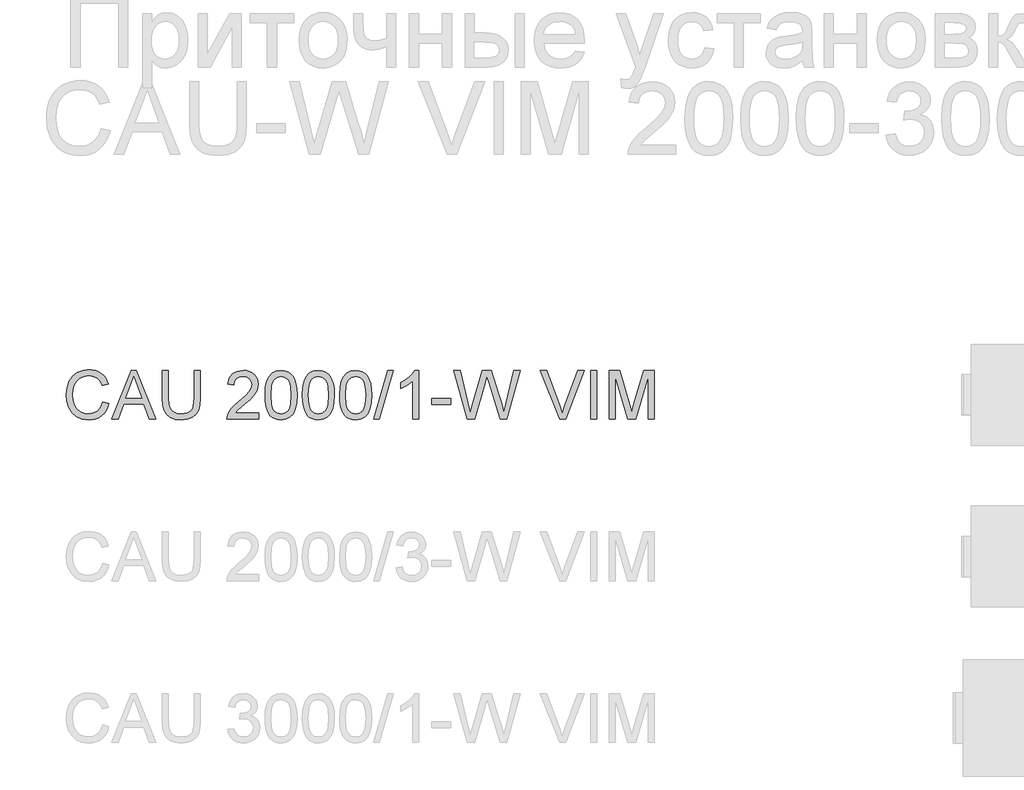
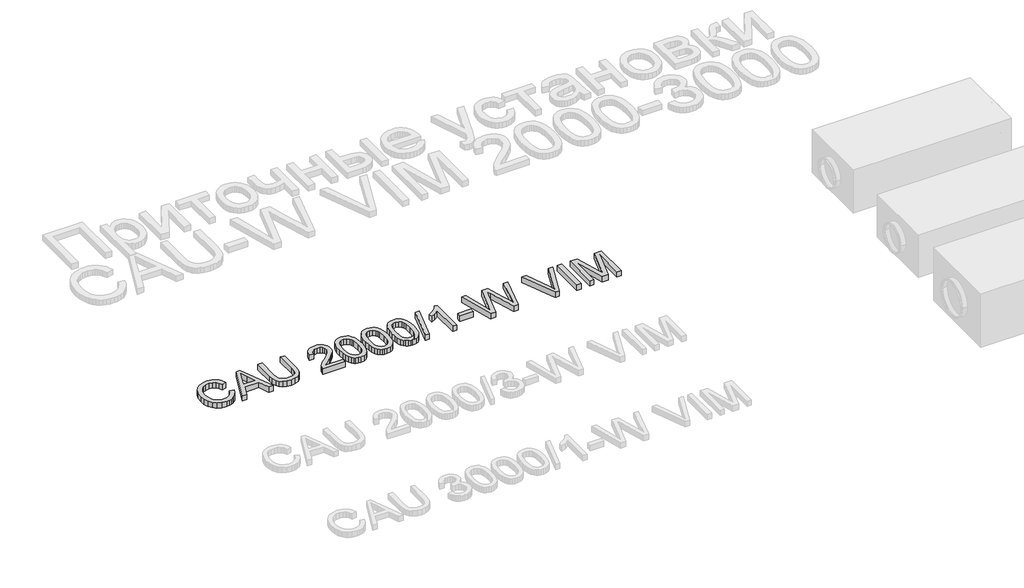
# One storey, part 73 of 74: 1 proxy.
"""IFC4 building model written with IfcOpenShell, lengths in millimetres."""

from ifc_helpers import new_model, si_unit, origin, origin_with_axes, place, context, project, spatial, polyline, outline, extrude, element, save

model = new_model("IFC4")

# Units and contexts
model_context = context("Model", 3, world=origin())
ifc_project = project(units=[si_unit("LENGTHUNIT", "METRE", prefix="MILLI")], contexts=[model_context])

# Site, building, storey
site = spatial("IfcSite", under=ifc_project)
building = spatial("IfcBuilding", under=site)
storey = spatial("IfcBuildingStorey", under=building, Elevation=0.0)

# Proxy
placement = place(None, origin())
element("IfcBuildingElementProxy", 1, Name="Generic Models", at=placement, inside=storey, context=model_context, shape_type="SweptSolid", body=[
    extrude(outline(polyline([(56009.3406669, -3799.1632103), (56047.0117832, -3808.875295), (56039.5575743, -3832.3024803), (56029.6293589, -3852.7728141), (56017.2271372, -3870.2862963), (56002.350909, -3884.842927), (55985.3363667, -3896.2863563), (55966.5192027, -3904.4602344), (55945.8994168, -3909.3645613), (55923.4770092, -3910.9993369), (55879.7818252, -3906.051324), (55845.0813561, -3891.2072855), (55818.4834878, -3866.9822562), (55799.0961067, -3833.8912707), (55787.2595035, -3794.9877497), (55783.3139691, -3753.3251137), (55787.7745383, -3709.3816094), (55801.1562458, -3671.4345816), (55822.760116, -3640.6888439), (55851.887173, -3618.3492097), (55886.4312923, -3604.7467729), (55924.2863496, -3600.2126274), (55965.5903006, -3606.0803452), (55983.5590368, -3613.4149925), (55999.7389468, -3623.6834986), (56013.8633162, -3636.6145508), (56025.6654304, -3651.9368359), (56042.3028937, -3689.755105), (56004.6317774, -3698.7314257), (55991.5719665, -3671.2598377), (55973.7296898, -3652.4150825), (55950.8842179, -3641.5165784), (55922.8148216, -3637.8837437), (55890.4596002, -3641.9120515), (55863.880126, -3653.996975), (55843.7109956, -3672.8693214), (55830.5868054, -3697.2598977), (55823.3855154, -3724.8326532), (55820.9850854, -3753.2515373), (55823.8269738, -3788.0531741), (55832.352639, -3818.1459213), (55846.8839778, -3842.3801477), (55867.742887, -3859.6062222), (55892.7496656, -3869.897721), (55919.7246129, -3873.3282206), (55951.1693264, -3868.6561192), (55977.3717215, -3854.6398152), (55997.1545758, -3831.4264613), (56009.3406669, -3799.1632103)])), origin_with_axes(), (0.0, 0.0, 1.0), 50.0),
    extrude(outline(polyline([(56063.7136258, -3906.2904473), (56184.0110382, -3604.9215169), (56216.0903482, -3604.9215169), (56336.3877606, -3906.2904473), (56296.5829287, -3906.2904473), (56262.0755976, -3812.1126566), (56137.9522124, -3812.1126566), (56103.5184577, -3906.2904473), (56063.7136258, -3906.2904473)]), holes=[polyline([(56151.7845754, -3774.4415403), (56248.316811, -3774.4415403), (56221.1671197, -3700.3501064), (56200.0506932, -3642.5926332), (56181.2887114, -3693.8753833), (56151.7845754, -3774.4415403)])]), origin_with_axes(), (0.0, 0.0, 1.0), 50.0),
    extrude(outline(polyline([(56574.4074115, -3604.9215169), (56612.0785278, -3604.9215169), (56612.0785278, -3778.7825478), (56609.5217479, -3819.4978876), (56601.8514083, -3850.8506307), (56587.5224046, -3875.0388719), (56564.9896324, -3894.2607061), (56534.1979094, -3906.8146792), (56495.0920533, -3910.9993369), (56456.8415229, -3907.3573051), (56426.261332, -3896.4312099), (56403.3422837, -3878.5981302), (56388.0751809, -3854.235145), (56379.4943334, -3821.5580268), (56376.6340509, -3778.7825478), (56376.6340509, -3604.9215169), (56414.3051672, -3604.9215169), (56414.3051672, -3777.4581726), (56416.1629713, -3811.3125132), (56421.7363835, -3834.8845521), (56431.8347443, -3851.2093156), (56447.267394, -3863.3218303), (56467.3905391, -3870.826623), (56491.5603862, -3873.3282206), (56529.875296, -3868.3802077), (56544.2180953, -3862.1951917), (56555.3511241, -3853.5361692), (56563.6882499, -3841.3592752), (56569.6433397, -3824.6206444), (56574.4074115, -3777.4581726), (56574.4074115, -3604.9215169)])), origin_with_axes(), (0.0, 0.0, 1.0), 50.0),
    extrude(outline(polyline([(56974.6630222, -3868.619331), (56974.6630222, -3906.2904473), (56776.8896616, -3906.2904473), (56780.9363636, -3880.3179785), (56790.225384, -3860.0200894), (56803.8186237, -3840.3292056), (56823.4819163, -3819.7186168), (56850.9810955, -3796.6616128), (56891.6320559, -3760.553995), (56916.0226322, -3733.9009444), (56928.2179203, -3712.2694831), (56932.2830164, -3691.226633), (56928.4478466, -3672.3634837), (56916.9423372, -3656.6825136), (56899.2564103, -3646.1151033), (56876.8799879, -3642.5926332), (56853.3815255, -3646.0323299), (56835.1253815, -3656.3514198), (56823.3439606, -3672.7405627), (56819.2696675, -3694.3904181), (56781.5985512, -3689.6815286), (56790.7312217, -3653.242817), (56799.2775803, -3638.7068796), (56810.4772878, -3626.6265546), (56824.0728268, -3617.1306006), (56839.8066799, -3610.3477763), (56877.6893283, -3604.9215169), (56897.8791521, -3606.4298331), (56915.8478883, -3610.9547816), (56931.5955369, -3618.4963625), (56945.122098, -3629.0545758), (56955.9861132, -3641.8476722), (56963.746124, -3656.0939024), (56968.4021305, -3671.7932666), (56969.9541327, -3688.9457646), (56968.2802696, -3706.9627853), (56963.2586804, -3724.6671063), (56954.3467391, -3742.67493), (56941.0018197, -3761.6024586), (56919.7290433, -3784.1996102), (56887.033531, -3813.2163026), (56843.697032, -3849.4526791), (56826.7008838, -3868.619331), (56974.6630222, -3868.619331)])), origin_with_axes(), (0.0, 0.0, 1.0), 50.0),
    extrude(outline(polyline([(57012.3341385, -3758.0340033), (57015.1024506, -3709.7954767), (57023.4073866, -3671.324217), (57037.1661732, -3642.0316132), (57056.296037, -3621.3290539), (57080.9349336, -3609.0234011), (57111.2208189, -3604.9215169), (57134.4341727, -3607.3495381), (57155.2195055, -3614.6336016), (57172.6019297, -3626.4885989), (57185.6065583, -3642.6294214), (57195.4290075, -3662.9181134), (57203.264894, -3687.2167192), (57208.3968479, -3718.0728216), (57210.1074992, -3758.0340033), (57207.3667783, -3805.9966184), (57199.1446157, -3844.3759076), (57185.4686025, -3873.6961026), (57166.3663299, -3894.4814353), (57141.672251, -3906.8698615), (57111.2208189, -3910.9993369), (57090.4722743, -3909.2059122), (57072.0781746, -3903.825638), (57056.0385196, -3894.8585143), (57042.3533094, -3882.3045413), (57029.2199221, -3859.6108207), (57019.8389312, -3831.3344908), (57014.2103367, -3797.4755517), (57012.3341385, -3758.0340033)]), holes=[polyline([(57050.0052549, -3757.9604269), (57054.4198388, -3817.2170193), (57059.9380687, -3837.4850179), (57067.6635906, -3851.5128183), (57087.3820656, -3867.87437), (57111.2208189, -3873.3282206), (57135.0595721, -3867.8559759), (57154.7780471, -3851.4392419), (57162.503569, -3837.3884489), (57168.0217989, -3817.1250488), (57172.4363828, -3757.9604269), (57168.1689517, -3700.0374067), (57162.8346628, -3679.8360867), (57155.3666583, -3665.4748933), (57135.6849715, -3648.3131982), (57110.7793605, -3642.5926332), (57087.1981246, -3647.6326165), (57068.2522018, -3662.7525665), (57060.2691625, -3678.3875513), (57054.5669916, -3699.4671897), (57050.0052549, -3757.9604269)])]), origin_with_axes(), (0.0, 0.0, 1.0), 50.0),
    extrude(outline(polyline([(57243.0697259, -3758.0340033), (57245.8380379, -3709.7954767), (57254.142974, -3671.324217), (57267.9017606, -3642.0316132), (57287.0316243, -3621.3290539), (57311.670521, -3609.0234011), (57341.9564062, -3604.9215169), (57365.1697601, -3607.3495381), (57385.9550928, -3614.6336016), (57403.3375171, -3626.4885989), (57416.3421456, -3642.6294214), (57426.1645949, -3662.9181134), (57434.0004814, -3687.2167192), (57439.1324353, -3718.0728216), (57440.8430865, -3758.0340033), (57438.1023657, -3805.9966184), (57429.8802031, -3844.3759076), (57416.2041899, -3873.6961026), (57397.1019173, -3894.4814353), (57372.4078384, -3906.8698615), (57341.9564062, -3910.9993369), (57321.2078617, -3909.2059122), (57302.8137619, -3903.825638), (57286.7741069, -3894.8585143), (57273.0888967, -3882.3045413), (57259.9555095, -3859.6108207), (57250.5745186, -3831.3344908), (57244.9459241, -3797.4755517), (57243.0697259, -3758.0340033)]), holes=[polyline([(57280.7408422, -3757.9604269), (57285.1554262, -3817.2170193), (57290.6736561, -3837.4850179), (57298.399178, -3851.5128183), (57318.1176529, -3867.87437), (57341.9564062, -3873.3282206), (57365.7951595, -3867.8559759), (57385.5136345, -3851.4392419), (57393.2391564, -3837.3884489), (57398.7573863, -3817.1250488), (57403.1719702, -3757.9604269), (57398.9045391, -3700.0374067), (57393.5702501, -3679.8360867), (57386.1022456, -3665.4748933), (57366.4205589, -3648.3131982), (57341.5149478, -3642.5926332), (57317.9337119, -3647.6326165), (57298.9877892, -3662.7525665), (57291.0047499, -3678.3875513), (57285.302579, -3699.4671897), (57280.7408422, -3757.9604269)])]), origin_with_axes(), (0.0, 0.0, 1.0), 50.0),
    extrude(outline(polyline([(57473.8053133, -3758.0340033), (57476.5736253, -3709.7954767), (57484.8785614, -3671.324217), (57498.637348, -3642.0316132), (57517.7672117, -3621.3290539), (57542.4061083, -3609.0234011), (57572.6919936, -3604.9215169), (57595.9053475, -3607.3495381), (57616.6906802, -3614.6336016), (57634.0731045, -3626.4885989), (57647.077733, -3642.6294214), (57656.9001823, -3662.9181134), (57664.7360688, -3687.2167192), (57669.8680226, -3718.0728216), (57671.5786739, -3758.0340033), (57668.837953, -3805.9966184), (57660.6157904, -3844.3759076), (57646.9397773, -3873.6961026), (57627.8375047, -3894.4814353), (57603.1434258, -3906.8698615), (57572.6919936, -3910.9993369), (57551.9434491, -3909.2059122), (57533.5493493, -3903.825638), (57517.5096943, -3894.8585143), (57503.8244841, -3882.3045413), (57490.6910969, -3859.6108207), (57481.310106, -3831.3344908), (57475.6815115, -3797.4755517), (57473.8053133, -3758.0340033)]), holes=[polyline([(57511.4764296, -3757.9604269), (57515.8910135, -3817.2170193), (57521.4092435, -3837.4850179), (57529.1347654, -3851.5128183), (57548.8532403, -3867.87437), (57572.6919936, -3873.3282206), (57596.5307469, -3867.8559759), (57616.2492218, -3851.4392419), (57623.9747437, -3837.3884489), (57629.4929737, -3817.1250488), (57633.9075576, -3757.9604269), (57629.6401265, -3700.0374067), (57624.3058375, -3679.8360867), (57616.837833, -3665.4748933), (57597.1561463, -3648.3131982), (57572.2505352, -3642.5926332), (57548.6692993, -3647.6326165), (57529.7233766, -3662.7525665), (57521.7403373, -3678.3875513), (57516.0381663, -3699.4671897), (57511.4764296, -3757.9604269)])]), origin_with_axes(), (0.0, 0.0, 1.0), 50.0),
    extrude(outline(polyline([(57685.7053425, -3906.2904473), (57770.4653542, -3604.9215169), (57804.4576506, -3604.9215169), (57719.6976389, -3906.2904473), (57685.7053425, -3906.2904473)])), origin_with_axes(), (0.0, 0.0, 1.0), 50.0),
    extrude(outline(polyline([(57963.5298253, -3906.2904473), (57925.858709, -3906.2904473), (57925.858709, -3671.4345816), (57890.1741554, -3696.8552275), (57850.5164764, -3715.8747266), (57850.5164764, -3680.2637495), (57880.1033858, -3664.1689122), (57905.7355638, -3645.0206544), (57925.9414824, -3624.6583859), (57939.2496136, -3604.9215169), (57963.5298253, -3604.9215169), (57963.5298253, -3906.2904473)])), origin_with_axes(), (0.0, 0.0, 1.0), 50.0),
    extrude(outline(polyline([(58043.5809474, -3816.8215461), (58043.5809474, -3779.1504298), (58161.3031859, -3779.1504298), (58161.3031859, -3816.8215461), (58043.5809474, -3816.8215461)])), origin_with_axes(), (0.0, 0.0, 1.0), 50.0),
    extrude(outline(polyline([(58262.3235818, -3906.2904473), (58180.138744, -3604.9215169), (58218.9870827, -3604.9215169), (58266.6645893, -3802.9891831), (58281.3798691, -3864.1311707), (58297.1252185, -3810.0525174), (58356.8692545, -3604.9215169), (58412.8608942, -3604.9215169), (58456.2709696, -3753.6194193), (58474.8674045, -3808.8017186), (58488.5710088, -3864.1311707), (58502.8448302, -3804.7550167), (58550.9637952, -3604.9215169), (58589.8121339, -3604.9215169), (58507.5537197, -3906.2904473), (58467.3074295, -3906.2904473), (58395.0554056, -3673.7890264), (58384.975439, -3641.3418344), (58373.6446735, -3680.4109023), (58307.7937964, -3906.2904473), (58262.3235818, -3906.2904473)])), origin_with_axes(), (0.0, 0.0, 1.0), 50.0),
    extrude(outline(polyline([(58834.2329315, -3906.2904473), (58714.303401, -3604.9215169), (58754.6232677, -3604.9215169), (58834.8951191, -3822.0454704), (58851.1555032, -3870.9737758), (58867.1951582, -3822.0454704), (58947.6877388, -3604.9215169), (58988.0076054, -3604.9215169), (58873.1548465, -3906.2904473), (58834.2329315, -3906.2904473)])), origin_with_axes(), (0.0, 0.0, 1.0), 50.0),
    extrude(outline(polyline([(59027.7388609, -3906.2904473), (59027.7388609, -3604.9215169), (59065.4099772, -3604.9215169), (59065.4099772, -3906.2904473), (59027.7388609, -3906.2904473)])), origin_with_axes(), (0.0, 0.0, 1.0), 50.0),
    extrude(outline(polyline([(59140.7522098, -3906.2904473), (59140.7522098, -3604.9215169), (59205.5730174, -3604.9215169), (59267.2300398, -3817.3365809), (59279.6644512, -3861.7031495), (59293.1289322, -3813.657761), (59353.755885, -3604.9215169), (59418.5766926, -3604.9215169), (59418.5766926, -3906.2904473), (59380.9055763, -3906.2904473), (59380.9055763, -3642.5926332), (59305.1954617, -3906.2904473), (59254.1334408, -3906.2904473), (59178.4233261, -3642.5926332), (59178.4233261, -3906.2904473), (59140.7522098, -3906.2904473)])), origin_with_axes(), (0.0, 0.0, 1.0), 50.0),
])

save(model, "model.ifc")
